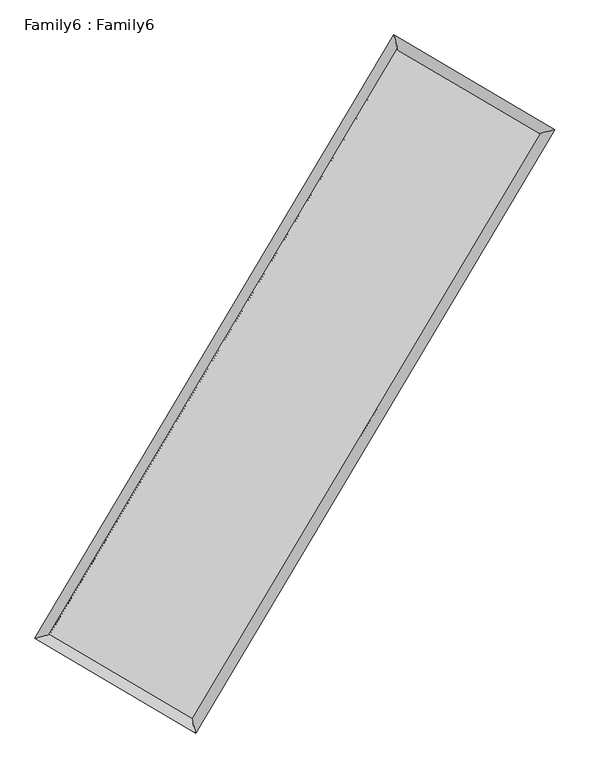
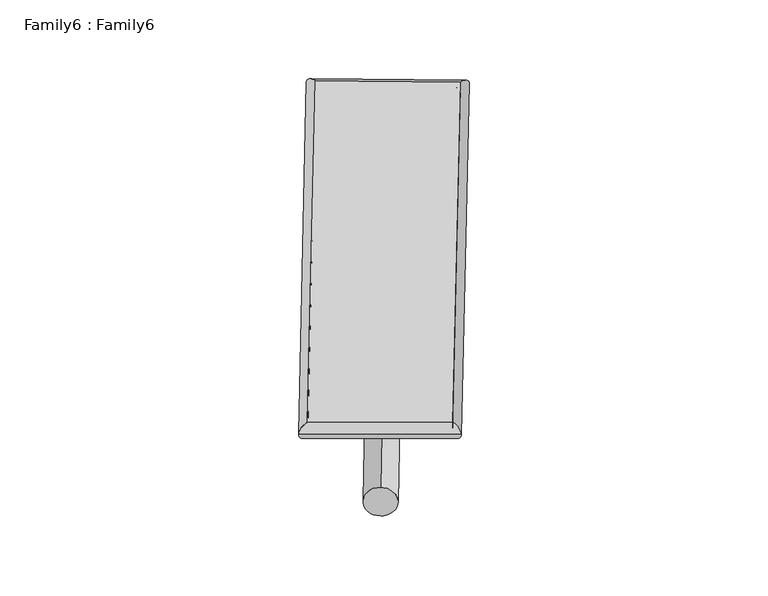
"""IFC4 building model written with IfcOpenShell, lengths in millimetres: plate geometry, Family6 : Family6."""

from ifc_helpers import new_model, si_unit, point, frame, origin, origin_2d, place, context, project, spatial, circle_curve, ellipse_curve, trimmed, segment, composite_curve, outline, extrude, source, transform, mapped, element, save
from ifc_brep_helpers import plane_surface, cylinder_surface, spline_surface, advanced_brep


def family6_family6_b53a7531(model_context):
    return source(origin(), model_context, "Body", "SolidModel", [
        extrude(outline(composite_curve([segment(trimmed(circle_curve(origin_2d(), 76.2), [point((-75.4341514, -10.7763074))], [point((75.4341514, 10.7763074))], False, "CARTESIAN"), True, "CONTINUOUS"), segment(trimmed(circle_curve(origin_2d(), 76.2), [point((75.4341514, 10.7763074))], [point((-75.4341514, -10.7763074))], False, "CARTESIAN"), True, "CONTINUOUS")], self_intersect=False)), frame((9144.0, 9144.0, 0.0), z_axis=(0.6739569327217528, 0.6869050049513561, 0.2719256644913536), x_axis=(-0.6788584387591222, 0.7210238101094402, -0.13883762235357208)), (0.0, 0.0, 1.0), 5571.6623855),
        extrude(outline(composite_curve([segment(trimmed(circle_curve(origin_2d(), 76.2), [point((-53.8815367, 53.8815367))], [point((53.8815367, -53.8815367))], False, "CARTESIAN"), True, "CONTINUOUS"), segment(trimmed(circle_curve(origin_2d(), 76.2), [point((53.8815367, -53.8815367))], [point((-53.8815367, 53.8815367))], False, "CARTESIAN"), True, "CONTINUOUS")], self_intersect=False)), frame((9144.0, 9144.0, 0.0), z_axis=(-0.673839648389819, -0.6870161024671617, 0.27193566005346836), x_axis=(0.6405456353990133, -0.3597111202500165, 0.6784609045035334)), (0.0, 0.0, 1.0), 5571.3702496),
        extrude(outline(composite_curve([segment(trimmed(circle_curve(origin_2d(), 76.2), [point((-53.8815367, -53.8815367))], [point((53.8815367, 53.8815367))], False, "CARTESIAN"), True, "CONTINUOUS"), segment(trimmed(circle_curve(origin_2d(), 76.2), [point((53.8815367, 53.8815367))], [point((-53.8815367, -53.8815367))], False, "CARTESIAN"), True, "CONTINUOUS")], self_intersect=False)), frame((9144.0, 9144.0, 0.0), z_axis=(0.281144178257619, 0.9194473117967097, 0.27490833356166655), x_axis=(-0.8387432566396218, 0.37462299328392773, -0.3951801644118185)), (0.0, 0.0, 1.0), 5564.1304202),
        extrude(outline(composite_curve([segment(trimmed(circle_curve(origin_2d(), 76.2), [point((-75.4341514, 10.7763074))], [point((75.4341514, -10.7763074))], False, "CARTESIAN"), True, "CONTINUOUS"), segment(trimmed(circle_curve(origin_2d(), 76.2), [point((75.4341514, -10.7763074))], [point((-75.4341514, 10.7763074))], False, "CARTESIAN"), True, "CONTINUOUS")], self_intersect=False)), frame((9144.0, 9144.0, 0.0), z_axis=(-0.2813426181227794, -0.9193997884320135, 0.2748642578783005), x_axis=(0.8762564233187063, -0.12937763322663087, 0.4641509545539937)), (0.0, 0.0, 1.0), 5565.0270974),
        advanced_brep(
        [(5180.584654, 5262.7349673, 1516.2167286), (5599.0022302, 5370.0331146, 1516.5322175), (5598.9950059, 5370.0228841, 1513.8917639), (10761.7803868, 14051.6663532, 1528.0366259), (10654.8653625, 14468.1831614, 1531.2150172), (5180.5774297, 5262.7247368, 1513.576275), (12689.7824828, 12917.5010122, 1515.2335239), (13108.3385002, 13024.9045448, 1514.9224691), (7524.9189227, 4235.8274851, 1529.3563422), (7631.7224903, 3819.203043, 1529.8977442)],
        [
            (0, 1, ellipse_curve(frame((5389.7898299, 5316.3789257, 1515.0542462), z_axis=(-0.2483971772079996, 0.9686533933052015, -0.003073433489838598), x_axis=(-0.9686418371884201, -0.24841019419042223, -0.005036533581617088)), 215.9882828, 152.4)),
            (1, 2, ellipse_curve(frame((5389.7898299, 5316.3789257, 1515.0542462), z_axis=(-0.2483971772079996, 0.9686533933052015, -0.003073433489838598), x_axis=(-0.9686418371884201, -0.24841019419042223, -0.005036533581617088)), 215.9882828, 152.4)),
            (2, 3),
            (3, 4, ellipse_curve(frame((10708.3228747, 14259.9247573, 1529.6258215), z_axis=(-0.9685889108955215, -0.2486487897791048, 0.003049759271512206), x_axis=(0.24863186027965264, -0.9685848963429456, -0.005049418798665114)), 215.0163834, 152.4)),
            (4, 0),
            (2, 5, ellipse_curve(frame((5389.7898299, 5316.3789257, 1515.0542462), z_axis=(-0.2483971772079996, 0.9686533933052015, -0.003073433489838598), x_axis=(-0.9686418371884201, -0.24841019419042223, -0.005036533581617088)), 215.9882828, 152.4)),
            (5, 0, ellipse_curve(frame((5389.7898299, 5316.3789257, 1515.0542462), z_axis=(-0.2483971772079996, 0.9686533933052015, -0.003073433489838598), x_axis=(-0.9686418371884201, -0.24841019419042223, -0.005036533581617088)), 215.9882828, 152.4)),
            (4, 3, ellipse_curve(frame((10708.3228747, 14259.9247573, 1529.6258215), z_axis=(-0.9685889108955215, -0.2486487897791048, 0.003049759271512206), x_axis=(0.24863186027965264, -0.9685848963429456, -0.005049418798665114)), 215.0163834, 152.4)),
            (3, 6),
            (6, 7, ellipse_curve(frame((12899.0604915, 12971.2027785, 1515.0779965), z_axis=(-0.24854896079888786, 0.9686144807818274, 0.0030662200742297132), x_axis=(-0.9686029843152795, -0.24856191265526012, 0.005023380604068531)), 216.0603202, 152.4)),
            (7, 4),
            (7, 6, ellipse_curve(frame((12899.0604915, 12971.2027785, 1515.0779965), z_axis=(-0.24854896079888786, 0.9686144807818274, 0.0030662200742297132), x_axis=(-0.9686029843152795, -0.24856191265526012, 0.005023380604068531)), 216.0603202, 152.4)),
            (6, 8),
            (8, 9, ellipse_curve(frame((7578.3207065, 4027.5152641, 1529.6270432), z_axis=(0.9686713522334754, 0.24832727838580324, 0.003061726909716599), x_axis=(-0.24831026935392675, 0.9686673517232511, -0.005056860571901846)), 215.0499162, 152.4)),
            (9, 7),
            (9, 8, ellipse_curve(frame((7578.3207065, 4027.5152641, 1529.6270432), z_axis=(0.9686713522334754, 0.24832727838580324, 0.003061726909716599), x_axis=(-0.24831026935392675, 0.9686673517232511, -0.005056860571901846)), 215.0499162, 152.4)),
            (8, 1),
            (5, 9),
        ],
        [
            cylinder_surface(frame((5389.7898299, 5316.3789257, 1515.0542462), z_axis=(-0.5111280733124527, -0.8595034215298403, -0.0014003750918396471), x_axis=(-0.8594756559653558, 0.511096842687756, 0.009034057644749788)), 152.4),
            cylinder_surface(frame((10708.3228747, 14259.9247573, 1529.6258215), z_axis=(-0.8619110195226123, 0.5070272524219482, 0.005723611354838877), x_axis=(0.5070532238702501, 0.8619017593527277, 0.0047313198432044085)), 152.4),
            cylinder_surface(frame((12899.0604915, 12971.2027785, 1515.0779965), z_axis=(0.5112787369632593, 0.859413811040726, -0.001398042098782329), x_axis=(0.859414862190125, -0.5112787369632592, 0.0003844164188964525)), 152.4),
            cylinder_surface(frame((7578.3207065, 4027.5152641, 1529.6270432), z_axis=(0.8616631051931899, -0.507448296360648, 0.0057375665142758376), x_axis=(-0.5074332595821424, -0.8616820737232831, -0.00393584727660414)), 152.4),
        ],
        [
            (0, [[1, 2, 3, 4, 5]]),
            (0, [[6, 7, -5, 8, -3]]),
            (1, [[-4, 9, 10, 11]]),
            (1, [[-8, -11, 12, -9]]),
            (2, [[-10, 13, 14, 15]]),
            (2, [[-12, -15, 16, -13]]),
            (3, [[-14, 17, -1, -7, 18]]),
            (3, [[-16, -18, -6, -2, -17]]),
        ],
    ),
        extrude(outline(composite_curve([segment(trimmed(circle_curve(origin_2d(), 304.8), [point((-1e-07, 304.8))], [point((-1e-07, -304.8))], False, "CARTESIAN"), True, "CONTINUOUS"), segment(trimmed(circle_curve(origin_2d(), 304.8), [point((-1e-07, -304.8))], [point((-1e-07, 304.8))], False, "CARTESIAN"), True, "CONTINUOUS")], self_intersect=False)), frame((11807.183282, 13638.710288, -8.52e-05), z_axis=(-0.5097529865693582, -0.8603208080033979, 1.6301793850907583e-08), x_axis=(-0.860320808003398, 0.5097529865693582, -4.466911333888042e-09)), (0.0, 0.0, 1.0), 10448.916837),
        advanced_brep(
        [(5389.7898299, 5316.3789257, 1515.0542462), (7578.3207065, 4027.5152641, 1529.6270432), (7578.320255, 4027.5153554, 1682.0270432), (5389.7893785, 5316.3790171, 1667.4542462), (12899.0604915, 12971.2027785, 1515.0779965), (12899.06004, 12971.2028699, 1667.4779965), (10708.3228747, 14259.9247573, 1529.6258215), (10708.3224232, 14259.9248487, 1682.0258215)],
        [
            (0, 1),
            (1, 2),
            (2, 3),
            (3, 0),
            (1, 4),
            (4, 5),
            (5, 2),
            (4, 6),
            (6, 7),
            (7, 5),
            (6, 0),
            (3, 7),
        ],
        [
            plane_surface(frame((6484.0552682, 4671.9470949, 1522.3406447), z_axis=(-0.5074566442040793, -0.861677291247809, -9.865776664321792e-07), x_axis=(0.8616631051931904, -0.5074482963606473, 0.005737566514275845))),
            plane_surface(frame((10238.690599, 8499.3590213, 1522.3525198), z_axis=(0.8594146529488527, -0.5112792331873718, 2.8524658190344065e-06), x_axis=(0.5112787369632587, 0.8594138110407263, -0.001398042098782328))),
            plane_surface(frame((11803.6916831, 13615.5637679, 1522.351909), z_axis=(0.5070355625232313, 0.8619251349947858, 9.851816603454085e-07), x_axis=(-0.8619110195226125, 0.5070272524219478, 0.005723611354838879))),
            plane_surface(frame((8049.0563523, 9788.1518415, 1522.3400339), z_axis=(-0.8595042622505048, 0.5111285779185886, -2.8526409359110267e-06), x_axis=(-0.5111280733124524, -0.8595034215298406, -0.0014003750918396502))),
            spline_surface(1, 1, [[(7578.320255, 4027.5153554, 1682.0270432), (5389.7893785, 5316.3790171, 1667.4542462)], [(12899.06004, 12971.2028699, 1667.4779965), (10708.3224232, 14259.9248487, 1682.0258215)]], [2, 2], [2, 2], [0.0, 1.0], [0.0, 1.0]),
            spline_surface(1, 1, [[(10708.3228747, 14259.9247573, 1529.6258215), (5389.7898299, 5316.3789257, 1515.0542462)], [(12899.0604915, 12971.2027785, 1515.0779965), (7578.3207065, 4027.5152641, 1529.6270432)]], [2, 2], [2, 2], [0.0, 1.0], [0.0, 1.0]),
        ],
        [
            (0, [[1, 2, 3, 4]]),
            (1, [[5, 6, 7, -2]]),
            (2, [[8, 9, 10, -6]]),
            (3, [[11, -4, 12, -9]]),
            (4, [[-3, -7, -10, -12]]),
            (5, [[-11, -8, -5, -1]]),
        ],
    ),
    ])


if __name__ == "__main__":
    model = new_model("IFC4")
    model_context = context("Model", 3, world=origin())
    ifc_project = project(units=[si_unit("LENGTHUNIT", "METRE", prefix="MILLI")], contexts=[model_context])
    site = spatial("IfcSite", under=ifc_project)
    building = spatial("IfcBuilding", under=site)
    placement = place(None, origin())
    family6_family6_shape = family6_family6_b53a7531(model_context)
    element("IfcPlate", 1, ObjectType="Family6 : Family6", at=placement, inside=building, context=model_context, shape_type="MappedRepresentation", body=[
        mapped(family6_family6_shape, transform((0.0, 0.0, 0.0), x_axis=(1.0, 0.0, 0.0), y_axis=(0.0, 1.0, 0.0), z_axis=(0.0, 0.0, 1.0))),
    ])
    save(model, "model.ifc")
